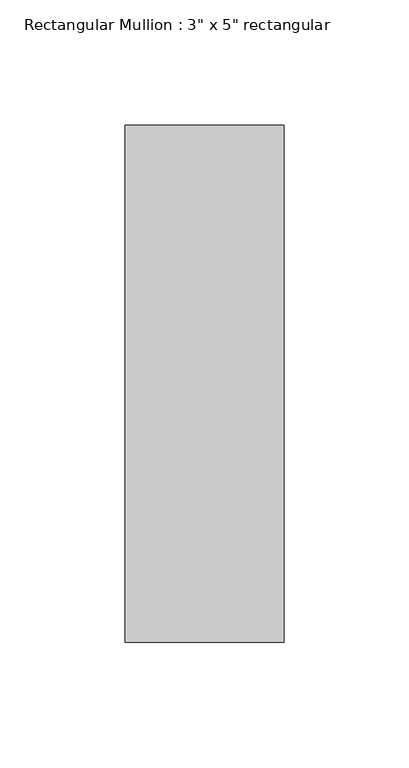
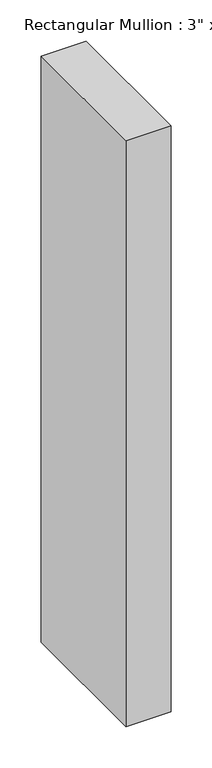
"""IFC4 building model written with IfcOpenShell, lengths in millimetres: member geometry."""

from ifc_helpers import new_model, si_unit, frame, origin, place, context, project, spatial, polyline, outline, extrude, source, transform, mapped, element, save


def member_11f9d70a(model_context):
    return source(origin(), model_context, "Body", "SweptSolid", [
        extrude(outline(polyline([(31.75, 90.551), (31.75, -115.951), (-31.75, -115.951), (-31.75, 90.551), (31.75, 90.551)])), frame((0.0, 0.0, -869.95), z_axis=(0.0, 0.0, 1.0), x_axis=(1.0, 0.0, 0.0)), (0.0, 0.0, 1.0), 869.95),
    ])


if __name__ == "__main__":
    model = new_model("IFC4")
    model_context = context("Model", 3, world=origin())
    ifc_project = project(units=[si_unit("LENGTHUNIT", "METRE", prefix="MILLI")], contexts=[model_context])
    site = spatial("IfcSite", under=ifc_project)
    building = spatial("IfcBuilding", under=site)
    placement = place(None, origin())
    member_shape = member_11f9d70a(model_context)
    element("IfcMember", 1, ObjectType="Rectangular Mullion : 3\" x 5\" rectangular", at=placement, inside=building, context=model_context, shape_type="MappedRepresentation", body=[
        mapped(member_shape, transform((0.0, 0.0, 0.0), x_axis=(1.0, 0.0, 0.0), y_axis=(0.0, 1.0, 0.0), z_axis=(0.0, 0.0, 1.0))),
    ])
    save(model, "model.ifc")
